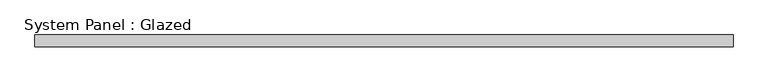
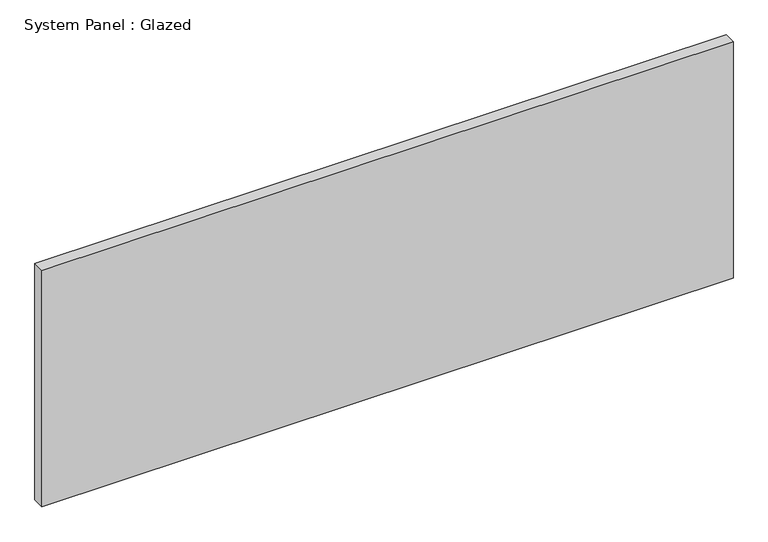
"""IFC4 building model written with IfcOpenShell, lengths in millimetres: plate geometry, System Panel : Glazed."""

from ifc_helpers import new_model, si_unit, origin, origin_with_axes, place, context, project, spatial, polyline, outline, extrude, source, transform, mapped, element, save


def system_panel_glazed_f2c37ff5(model_context):
    return source(origin(), model_context, "Body", "SweptSolid", [
        extrude(outline(polyline([(746.125, -12.7), (-746.125, -12.7), (-746.125, 12.7), (746.125, 12.7), (746.125, -12.7)])), origin_with_axes(), (0.0, 0.0, 1.0), 539.75),
    ])


if __name__ == "__main__":
    model = new_model("IFC4")
    model_context = context("Model", 3, world=origin())
    ifc_project = project(units=[si_unit("LENGTHUNIT", "METRE", prefix="MILLI")], contexts=[model_context])
    site = spatial("IfcSite", under=ifc_project)
    building = spatial("IfcBuilding", under=site)
    placement = place(None, origin())
    system_panel_glazed_shape = system_panel_glazed_f2c37ff5(model_context)
    element("IfcPlate", 1, ObjectType="System Panel : Glazed", at=placement, inside=building, context=model_context, shape_type="MappedRepresentation", body=[
        mapped(system_panel_glazed_shape, transform((0.0, 0.0, 0.0), x_axis=(1.0, 0.0, 0.0), y_axis=(0.0, 1.0, 0.0), z_axis=(0.0, 0.0, 1.0))),
    ])
    save(model, "model.ifc")
